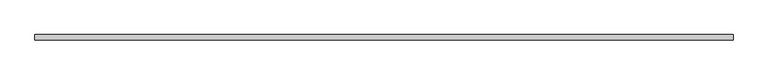
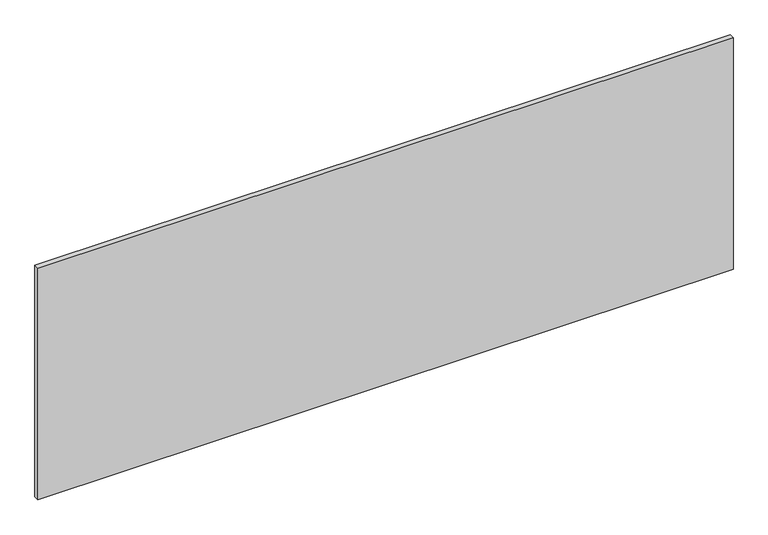
"""IFC4 building model written with IfcOpenShell, lengths in millimetres: plate geometry."""

from ifc_helpers import new_model, si_unit, origin, origin_with_axes, place, context, project, spatial, polyline, outline, extrude, source, transform, mapped, element, save


def plate_c2ed8277(model_context):
    return source(origin(), model_context, "Body", "SweptSolid", [
        extrude(outline(polyline([(1420.0, -21.25), (1420.0, -42.75), (-1420.0, -42.75), (-1420.0, -21.25), (1420.0, -21.25)])), origin_with_axes(), (0.0, 0.0, 1.0), 1000.0),
    ])


if __name__ == "__main__":
    model = new_model("IFC4")
    model_context = context("Model", 3, world=origin())
    ifc_project = project(units=[si_unit("LENGTHUNIT", "METRE", prefix="MILLI")], contexts=[model_context])
    site = spatial("IfcSite", under=ifc_project)
    building = spatial("IfcBuilding", under=site)
    placement = place(None, origin())
    plate_shape = plate_c2ed8277(model_context)
    element("IfcPlate", 1, at=placement, inside=building, context=model_context, shape_type="MappedRepresentation", body=[
        mapped(plate_shape, transform((0.0, 0.0, 0.0), x_axis=(1.0, 0.0, 0.0), y_axis=(0.0, 1.0, 0.0), z_axis=(0.0, 0.0, 1.0))),
    ])
    save(model, "model.ifc")
